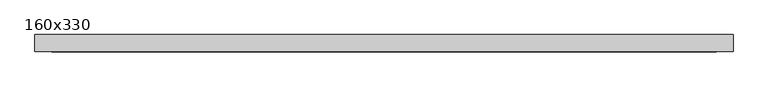
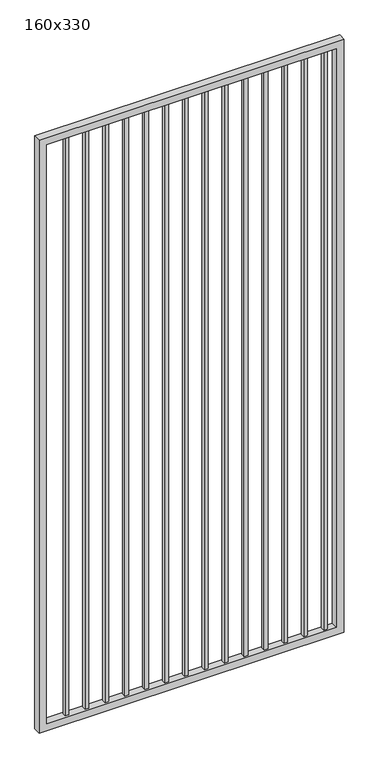
"""IFC4 building model written with IfcOpenShell, lengths in millimetres: proxy geometry, 160x330."""

from ifc_helpers import new_model, si_unit, frame, origin, place, context, project, spatial, polyline, outline, extrude, source, transform, mapped, element, save


def proxy_160x330_6d495d83(model_context):
    return source(origin(), model_context, "Body", "SweptSolid", [
        extrude(outline(polyline([(1508.125, -9.525), (1489.075, -9.525), (1489.075, 9.525), (1508.125, 9.525), (1508.125, -9.525)])), frame((0.0, 0.0, 139.7), z_axis=(0.0, 0.0, 1.0), x_axis=(1.0, 0.0, 0.0)), (0.0, 0.0, 1.0), 3130.0),
        extrude(outline(polyline([(1406.525, -9.525), (1387.475, -9.525), (1387.475, 9.525), (1406.525, 9.525), (1406.525, -9.525)])), frame((0.0, 0.0, 139.7), z_axis=(0.0, 0.0, 1.0), x_axis=(1.0, 0.0, 0.0)), (0.0, 0.0, 1.0), 3130.0),
        extrude(outline(polyline([(1304.925, -9.525), (1285.875, -9.525), (1285.875, 9.525), (1304.925, 9.525), (1304.925, -9.525)])), frame((0.0, 0.0, 139.7), z_axis=(0.0, 0.0, 1.0), x_axis=(1.0, 0.0, 0.0)), (0.0, 0.0, 1.0), 3130.0),
        extrude(outline(polyline([(1203.325, -9.525), (1184.275, -9.525), (1184.275, 9.525), (1203.325, 9.525), (1203.325, -9.525)])), frame((0.0, 0.0, 139.7), z_axis=(0.0, 0.0, 1.0), x_axis=(1.0, 0.0, 0.0)), (0.0, 0.0, 1.0), 3130.0),
        extrude(outline(polyline([(1101.725, -9.525), (1082.675, -9.525), (1082.675, 9.525), (1101.725, 9.525), (1101.725, -9.525)])), frame((0.0, 0.0, 139.7), z_axis=(0.0, 0.0, 1.0), x_axis=(1.0, 0.0, 0.0)), (0.0, 0.0, 1.0), 3130.0),
        extrude(outline(polyline([(1000.125, -9.525), (981.075, -9.525), (981.075, 9.525), (1000.125, 9.525), (1000.125, -9.525)])), frame((0.0, 0.0, 139.7), z_axis=(0.0, 0.0, 1.0), x_axis=(1.0, 0.0, 0.0)), (0.0, 0.0, 1.0), 3130.0),
        extrude(outline(polyline([(898.525, -9.525), (879.475, -9.525), (879.475, 9.525), (898.525, 9.525), (898.525, -9.525)])), frame((0.0, 0.0, 139.7), z_axis=(0.0, 0.0, 1.0), x_axis=(1.0, 0.0, 0.0)), (0.0, 0.0, 1.0), 3130.0),
        extrude(outline(polyline([(796.925, -9.525), (777.875, -9.525), (777.875, 9.525), (796.925, 9.525), (796.925, -9.525)])), frame((0.0, 0.0, 139.7), z_axis=(0.0, 0.0, 1.0), x_axis=(1.0, 0.0, 0.0)), (0.0, 0.0, 1.0), 3130.0),
        extrude(outline(polyline([(695.325, -9.525), (676.275, -9.525), (676.275, 9.525), (695.325, 9.525), (695.325, -9.525)])), frame((0.0, 0.0, 139.7), z_axis=(0.0, 0.0, 1.0), x_axis=(1.0, 0.0, 0.0)), (0.0, 0.0, 1.0), 3130.0),
        extrude(outline(polyline([(593.725, -9.525), (574.675, -9.525), (574.675, 9.525), (593.725, 9.525), (593.725, -9.525)])), frame((0.0, 0.0, 139.7), z_axis=(0.0, 0.0, 1.0), x_axis=(1.0, 0.0, 0.0)), (0.0, 0.0, 1.0), 3130.0),
        extrude(outline(polyline([(492.125, -9.525), (473.075, -9.525), (473.075, 9.525), (492.125, 9.525), (492.125, -9.525)])), frame((0.0, 0.0, 139.7), z_axis=(0.0, 0.0, 1.0), x_axis=(1.0, 0.0, 0.0)), (0.0, 0.0, 1.0), 3130.0),
        extrude(outline(polyline([(390.525, -9.525), (371.475, -9.525), (371.475, 9.525), (390.525, 9.525), (390.525, -9.525)])), frame((0.0, 0.0, 139.7), z_axis=(0.0, 0.0, 1.0), x_axis=(1.0, 0.0, 0.0)), (0.0, 0.0, 1.0), 3130.0),
        extrude(outline(polyline([(288.925, -9.525), (269.875, -9.525), (269.875, 9.525), (288.925, 9.525), (288.925, -9.525)])), frame((0.0, 0.0, 139.7), z_axis=(0.0, 0.0, 1.0), x_axis=(1.0, 0.0, 0.0)), (0.0, 0.0, 1.0), 3130.0),
        extrude(outline(polyline([(187.325, -9.525), (168.275, -9.525), (168.275, 9.525), (187.325, 9.525), (187.325, -9.525)])), frame((0.0, 0.0, 139.7), z_axis=(0.0, 0.0, 1.0), x_axis=(1.0, 0.0, 0.0)), (0.0, 0.0, 1.0), 3130.0),
        extrude(outline(polyline([(3300.0, 1587.3), (3300.0, 30.0), (101.6, 30.0), (101.6, 1587.3), (3300.0, 1587.3)]), holes=[polyline([(139.7, 1549.2), (139.7, 68.1), (3261.9, 68.1), (3261.9, 1549.2), (139.7, 1549.2)])]), frame((0.0, -19.05, 0.0), z_axis=(0.0, 1.0, 0.0), x_axis=(0.0, 0.0, 1.0)), (0.0, 0.0, 1.0), 38.1),
    ])


if __name__ == "__main__":
    model = new_model("IFC4")
    model_context = context("Model", 3, world=origin())
    ifc_project = project(units=[si_unit("LENGTHUNIT", "METRE", prefix="MILLI")], contexts=[model_context])
    site = spatial("IfcSite", under=ifc_project)
    building = spatial("IfcBuilding", under=site)
    placement = place(None, origin())
    proxy_160x330_shape = proxy_160x330_6d495d83(model_context)
    element("IfcBuildingElementProxy", 1, Name="160x330", ObjectType="160x330", at=placement, inside=building, context=model_context, shape_type="MappedRepresentation", body=[
        mapped(proxy_160x330_shape, transform((0.0, 0.0, 0.0), x_axis=(1.0, 0.0, 0.0), y_axis=(0.0, 1.0, 0.0), z_axis=(0.0, 0.0, 1.0))),
    ])
    save(model, "model.ifc")
